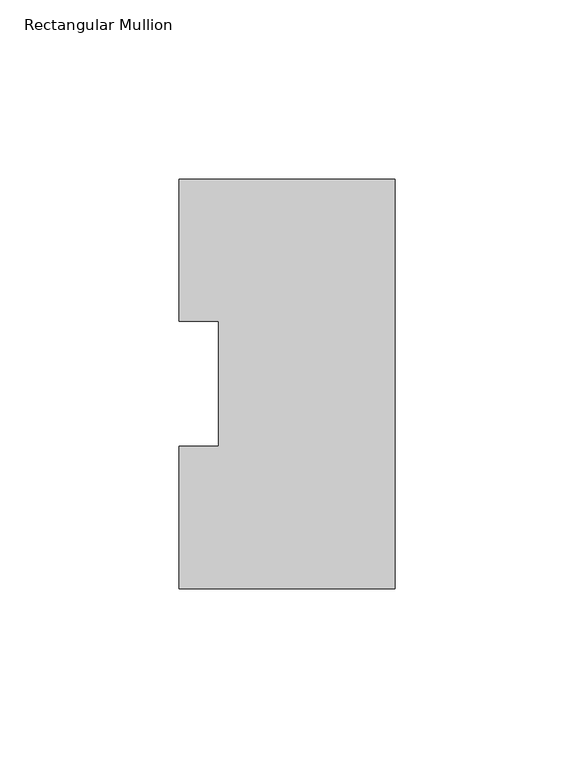
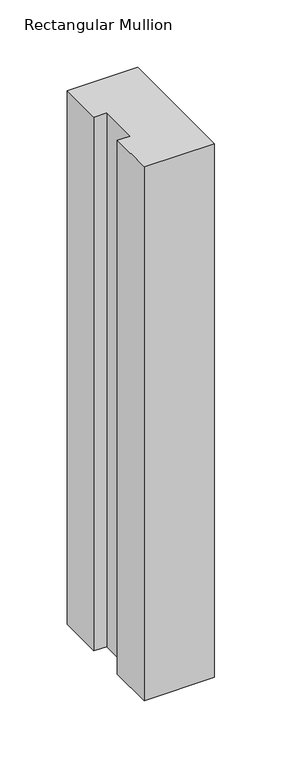
"""IFC4 building model written with IfcOpenShell, lengths in millimetres: member geometry, Rectangular Mullion."""

from ifc_helpers import new_model, si_unit, frame, origin, place, context, project, spatial, polyline, outline, extrude, source, transform, mapped, element, save


def rectangular_mullion_ec99bc5b(model_context):
    return source(origin(), model_context, "Body", "SweptSolid", [
        extrude(outline(polyline([(0.0, 114.271425), (0.0, -0.028575), (-60.325, -0.028575), (-60.325, 39.646225), (-49.2125, 39.646225), (-49.2125, 74.596625), (-60.325, 74.596625), (-60.325, 114.271425), (0.0, 114.271425)])), frame((0.0, 0.0, -484.5062991), z_axis=(0.0, 0.0, 1.0), x_axis=(1.0, 0.0, 0.0)), (0.0, 0.0, 1.0), 484.5062991),
    ])


if __name__ == "__main__":
    model = new_model("IFC4")
    model_context = context("Model", 3, world=origin())
    ifc_project = project(units=[si_unit("LENGTHUNIT", "METRE", prefix="MILLI")], contexts=[model_context])
    site = spatial("IfcSite", under=ifc_project)
    building = spatial("IfcBuilding", under=site)
    placement = place(None, origin())
    rectangular_mullion_shape = rectangular_mullion_ec99bc5b(model_context)
    element("IfcMember", 1, ObjectType="Rectangular Mullion", at=placement, inside=building, context=model_context, shape_type="MappedRepresentation", body=[
        mapped(rectangular_mullion_shape, transform((0.0, 0.0, 0.0), x_axis=(1.0, 0.0, 0.0), y_axis=(0.0, 1.0, 0.0), z_axis=(0.0, 0.0, 1.0))),
    ])
    save(model, "model.ifc")
